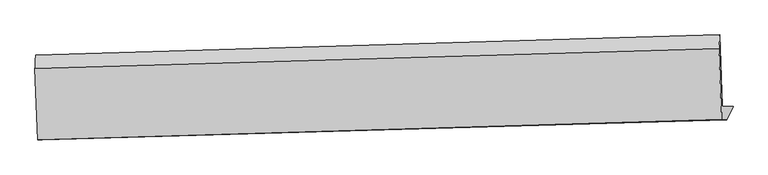
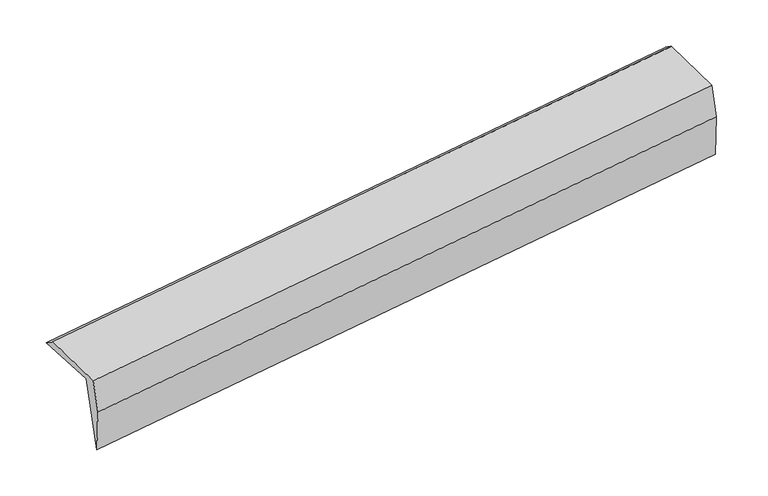
"""IFC4 building model written with IfcOpenShell, lengths in millimetres: proxy geometry."""

from ifc_helpers import new_model, si_unit, frame, origin, place, context, project, spatial, source, transform, mapped, element, save
from ifc_brep_helpers import plane_surface, spline_surface, advanced_brep


def generic_models_f5ca79d7(model_context):
    return source(origin(), model_context, "Body", "AdvancedBrep", [
        advanced_brep(
        [(-6078.9827052, -1757.4670292, 1678.9085413), (-6100.2226262, -1091.6716053, 1669.3393606), (304.8952616, -900.6123187, 2486.2611065), (326.1351827, -1566.4077425, 2495.8302872), (-5975.7153479, -1765.6406749, 880.9963), (428.7608158, -1574.5305956, 1702.8764338), (-6036.2131466, -1888.6260137, 1381.8586219), (368.263017, -1697.5159343, 2203.7387557), (-6081.8604379, -1885.0130154, 1734.5599349), (322.6157257, -1693.902936, 2556.4400686), (-6107.1915324, -1219.182712, 1756.6774437), (297.2846312, -1028.0726327, 2578.5575775)],
        [
            (0, 1),
            (1, 2),
            (2, 3),
            (3, 0),
            (4, 0),
            (3, 5),
            (5, 4),
            (6, 4),
            (5, 7),
            (7, 6),
            (8, 6),
            (7, 9),
            (9, 8),
            (10, 8),
            (9, 11),
            (11, 10),
            (1, 10),
            (11, 2),
        ],
        [
            plane_surface(frame((-6089.6026657, -1424.5693173, 1674.1239509), z_axis=(0.12681024657029508, -0.010210322766870415, -0.9918744429985971), x_axis=(-0.03188206230896252, 0.9993884211773405, -0.014363764116344793))),
            plane_surface(frame((-6027.3490265, -1761.553852, 1279.9524207), z_axis=(-0.028045738745845778, 0.9995104306523769, -0.013868509483723947), x_axis=(-0.12834484392974563, 0.010158537146727625, 0.9916775711690206))),
            plane_surface(frame((-6005.9642472, -1827.1333443, 1131.427461), z_axis=(0.05866828018630335, -0.9710967365976123, -0.23136369868553155), x_axis=(0.11650394050676063, 0.23683963524118276, -0.9645381376727521))),
            plane_surface(frame((-6059.0367923, -1886.8195145, 1558.2092784), z_axis=(0.028045738745843103, -0.999510430652377, 0.013868509483723587), x_axis=(0.12834484392974554, -0.010158537146727611, -0.9916775711690206))),
            plane_surface(frame((-6094.5259851, -1552.0978637, 1745.6186893), z_axis=(-0.12608701408342401, -0.037725894133589295, 0.9913015796372705), x_axis=(0.03799594079424812, -0.9987270320976793, -0.03317565132022423))),
            spline_surface(1, 1, [[(-6100.2226262, -1091.6716053, 1669.3393606), (304.8952616, -900.6123187, 2486.2611065)], [(-6107.1915324, -1219.182712, 1756.6774437), (297.2846312, -1028.0726327, 2578.5575775)]], [2, 2], [2, 2], [0.0, 1.0], [0.0, 1.0]),
            plane_surface(frame((341.3257723, -1410.1736933, 2337.2840382), z_axis=(0.9912169969989343, 0.03346024117803279, 0.12794247582692264), x_axis=(0.12834484392974554, -0.010158537146727611, -0.9916775711690206))),
            plane_surface(frame((-6063.3642994, -1601.2668418, 1517.0567004), z_axis=(-0.9912169969989301, -0.03346024117816652, -0.12794247582692053), x_axis=(0.0318820623089617, -0.9993884211773406, 0.014363764116345235))),
        ],
        [
            (0, [[1, 2, 3, 4]]),
            (1, [[5, -4, 6, 7]]),
            (2, [[8, -7, 9, 10]]),
            (3, [[11, -10, 12, 13]]),
            (4, [[14, -13, 15, 16]]),
            (5, [[17, -16, 18, -2]]),
            (6, [[-12, -9, -6, -3, -18, -15]]),
            (7, [[-1, -5, -8, -11, -14, -17]]),
        ],
    ),
    ])


if __name__ == "__main__":
    model = new_model("IFC4")
    model_context = context("Model", 3, world=origin())
    ifc_project = project(units=[si_unit("LENGTHUNIT", "METRE", prefix="MILLI")], contexts=[model_context])
    site = spatial("IfcSite", under=ifc_project)
    building = spatial("IfcBuilding", under=site)
    placement = place(None, origin())
    generic_models_shape = generic_models_f5ca79d7(model_context)
    element("IfcBuildingElementProxy", 1, Name="Generic Models", at=placement, inside=building, context=model_context, shape_type="MappedRepresentation", body=[
        mapped(generic_models_shape, transform((0.0, 0.0, 0.0), x_axis=(1.0, 0.0, 0.0), y_axis=(0.0, 1.0, 0.0), z_axis=(0.0, 0.0, 1.0))),
    ])
    save(model, "model.ifc")
